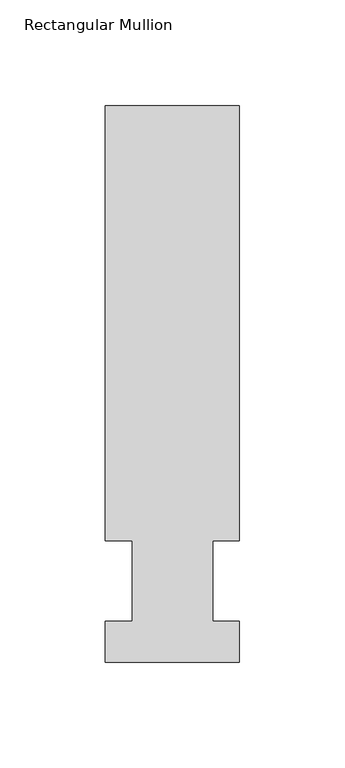
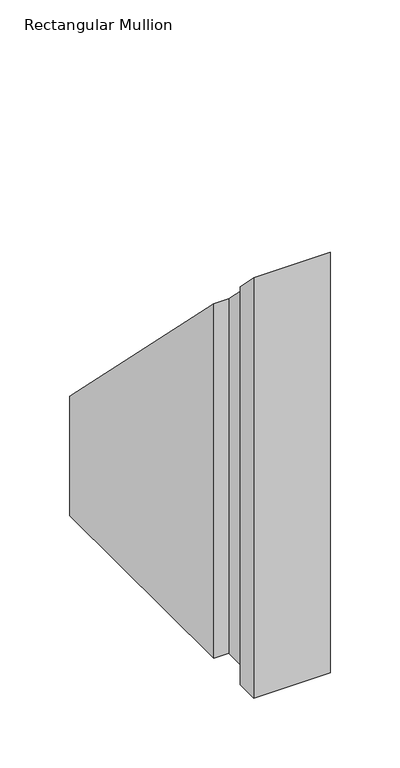
"""IFC4 building model written with IfcOpenShell, lengths in millimetres: member geometry, Rectangular Mullion."""

import ifcopenshell
import ifcopenshell.guid

model = None  # the IFC model being written
_history = None  # IfcOwnerHistory: only IFC2X3 demands one
_inside = {}  # id of a spatial element -> (the spatial element, [elements in it])
_under = {}  # id of a project, library or spatial element -> (it, [spatial elements below it])
_declared = {}  # id of a project -> (the project, [libraries it declares])
_typed = {}  # id of a type object -> (the type object, [elements of that type])
_made_of = {}  # id of a material, layer set ... -> (it, [elements and type objects made of it])


def new_model(schema):
    """Start an empty IFC model of exactly this schema.

    Asked for "IFC4X3", IfcOpenShell would pick the latest addendum, in which some entities
    have other attributes; the version numbers below select the first issue.
    IFC2X3 requires an IfcOwnerHistory on every rooted entity: one is made here for all.
    """
    global model, _history
    if schema == "IFC4X3":
        model = ifcopenshell.file(schema_version=(4, 3, 0, 0))
    else:
        model = ifcopenshell.file(schema=schema)
    _inside.clear()
    _under.clear()
    _declared.clear()
    _typed.clear()
    _made_of.clear()
    _history = None
    if model.schema == "IFC2X3":
        org = make("IfcOrganization", Name="unknown")
        user = make(
            "IfcPersonAndOrganization",
            ThePerson=make("IfcPerson", FamilyName="unknown"),
            TheOrganization=org,
        )
        app = make(
            "IfcApplication",
            ApplicationDeveloper=org,
            Version="unknown",
            ApplicationFullName="unknown",
            ApplicationIdentifier="unknown",
        )
        _history = make(
            "IfcOwnerHistory",
            OwningUser=user,
            OwningApplication=app,
            ChangeAction="ADDED",
            CreationDate=0,
        )
    return model


def make(cls, **values):
    """One entity of the class cls with the attributes given. An attribute that is None is left unset."""
    return model.create_entity(
        cls, **{name: value for name, value in values.items() if value is not None}
    )


def rooted(cls, **values):
    """An entity with a GlobalId (a new one), such as an element, a storey or a relation."""
    return make(cls, GlobalId=ifcopenshell.guid.new(), OwnerHistory=_history, **values)


def si_unit(unit_type, name, prefix=None):
    """IfcSIUnit, for example si_unit("LENGTHUNIT", "METRE", prefix="MILLI")."""
    return make("IfcSIUnit", UnitType=unit_type, Prefix=prefix, Name=name)


def assignment(units):
    """IfcUnitAssignment: the units of a project."""
    return None if units is None else make("IfcUnitAssignment", Units=units)


def point(xyz):
    """IfcCartesianPoint."""
    return None if xyz is None else make("IfcCartesianPoint", Coordinates=xyz)


def direction(xyz):
    """IfcDirection."""
    return None if xyz is None else make("IfcDirection", DirectionRatios=xyz)


def frame(location, z_axis=None, x_axis=None):
    """IfcAxis2Placement3D, a coordinate frame: its origin and axes. An axis left out is left unset."""
    return make(
        "IfcAxis2Placement3D",
        Location=point(location),
        Axis=direction(z_axis),
        RefDirection=direction(x_axis),
    )


def origin():
    """The frame at (0, 0, 0) with its axes left unset."""
    return frame((0.0, 0.0, 0.0))


def place(relative_to, where):
    """IfcLocalPlacement: puts the frame where relative to a parent placement (None: the world)."""
    return make(
        "IfcLocalPlacement", PlacementRelTo=relative_to, RelativePlacement=where
    )


def context(
    kind, dimensions, precision=None, world=None, true_north=None, identifier=None
):
    """IfcGeometricRepresentationContext, for example the 3D "Model" context."""
    return make(
        "IfcGeometricRepresentationContext",
        ContextIdentifier=identifier,
        ContextType=kind,
        CoordinateSpaceDimension=dimensions,
        Precision=precision,
        WorldCoordinateSystem=world,
        TrueNorth=true_north,
    )


def project(units=None, contexts=None):
    """IfcProject with its units and contexts."""
    return rooted(
        "IfcProject",
        Name="project",
        RepresentationContexts=contexts,
        UnitsInContext=assignment(units),
    )


def spatial(cls, under=None, at=None, **own):
    """A site, building, storey or space (cls), placed at a placement, below another one or the project."""
    s = rooted(cls, ObjectPlacement=at, **own)
    if under is not None:
        _under.setdefault(under.id(), (under, []))[1].append(s)
    return s


def faces_of(points, faces, orient=None, outer=None):
    """IfcFace entities. A face is a list of loops; a loop is a list of indices into points, from 0.

    orient and outer hold one flag for each loop. By default every Orientation is true, the
    first loop of a face is its IfcFaceOuterBound and the others are IfcFaceBound.
    """
    made = []
    for i, loops in enumerate(faces):
        bounds = []
        for j, loop in enumerate(loops):
            is_outer = j == 0 if outer is None else outer[i][j]
            bounds.append(
                make(
                    "IfcFaceOuterBound" if is_outer else "IfcFaceBound",
                    Bound=make("IfcPolyLoop", Polygon=[points[k] for k in loop]),
                    Orientation=True if orient is None else orient[i][j],
                )
            )
        made.append(make("IfcFace", Bounds=bounds))
    return made


def faceted_brep(points, faces, orient=None, outer=None, voids=None):
    """IfcFacetedBrep: a solid bounded by flat faces; with voids (closed shells), ...WithVoids."""
    shared = [point(p) for p in points]
    hull = make("IfcClosedShell", CfsFaces=faces_of(shared, faces, orient, outer))
    if voids is None:
        return make("IfcFacetedBrep", Outer=hull)
    return make(
        "IfcFacetedBrepWithVoids",
        Outer=hull,
        Voids=[
            make(cls, CfsFaces=faces_of(shared, fs, o, b)) for cls, fs, o, b in voids
        ],
    )


def shape(context_of_items, identifier, shape_type, items):
    """IfcShapeRepresentation: the items that make up one representation, for example the "Body"."""
    return make(
        "IfcShapeRepresentation",
        ContextOfItems=context_of_items,
        RepresentationIdentifier=identifier,
        RepresentationType=shape_type,
        Items=items,
    )


def source(mapping_origin, context_of_items, identifier, shape_type, items):
    """IfcRepresentationMap: a shape defined once, which mapped items show again and again."""
    return make(
        "IfcRepresentationMap",
        MappingOrigin=mapping_origin,
        MappedRepresentation=shape(context_of_items, identifier, shape_type, items),
    )


def transform(
    local_origin,
    x_axis=None,
    y_axis=None,
    z_axis=None,
    scale=None,
    scale2=None,
    scale3=None,
    uniform=True,
):
    """IfcCartesianTransformationOperator3D, or its non-uniform kind. x_axis, y_axis, z_axis: its Axis1, 2, 3."""
    if uniform:
        return make(
            "IfcCartesianTransformationOperator3D",
            Axis1=direction(x_axis),
            Axis2=direction(y_axis),
            LocalOrigin=point(local_origin),
            Scale=scale,
            Axis3=direction(z_axis),
        )
    return make(
        "IfcCartesianTransformationOperator3DnonUniform",
        Axis1=direction(x_axis),
        Axis2=direction(y_axis),
        LocalOrigin=point(local_origin),
        Scale=scale,
        Axis3=direction(z_axis),
        Scale2=scale2,
        Scale3=scale3,
    )


def mapped(mapping_source, mapping_target):
    """IfcMappedItem: shows the shape of a source again, moved by a transform."""
    return make(
        "IfcMappedItem", MappingSource=mapping_source, MappingTarget=mapping_target
    )


def made_of(thing, what):
    """Note that an element or type object is made of a material, layer set ...; save() writes the relation."""
    if what is not None:
        _made_of.setdefault(what.id(), (what, []))[1].append(thing)
    return thing


def element(
    cls,
    number,
    at=None,
    inside=None,
    cuts=None,
    type_object=None,
    material=None,
    context=None,
    identifier="Body",
    shape_type=None,
    held_by="IfcProductDefinitionShape",
    body=None,
    shapes=None,
    **own,
):
    """One element of the class cls, such as IfcWall. Its Tag is "e" and its number.

    at: its placement. inside: the storey or other place that contains it. cuts: it is an
    opening in that element (IfcRelVoidsElement). A single representation is given by context,
    identifier, shape_type and body (its items); several are given by shapes. held_by: the class
    of the entity that holds the representations. save() writes the other relations.
    """
    e = rooted(cls, Tag="e%d" % number, ObjectPlacement=at, **own)
    if body is not None:
        shapes = [shape(context, identifier, shape_type, body)]
    if shapes is not None:
        e.Representation = make(held_by, Representations=shapes)
    if inside is not None:
        _inside.setdefault(inside.id(), (inside, []))[1].append(e)
    if cuts is not None:
        rooted(
            "IfcRelVoidsElement", RelatingBuildingElement=cuts, RelatedOpeningElement=e
        )
    if type_object is not None:
        _typed.setdefault(type_object.id(), (type_object, []))[1].append(e)
    return made_of(e, material)


def aggregate(whole, parts):
    """IfcRelAggregates: a whole, such as a stair, and the parts it consists of."""
    return rooted("IfcRelAggregates", RelatingObject=whole, RelatedObjects=parts)


def save(model, path):
    """Write the relations noted so far, then the file.

    IfcRelAggregates (storeys below a building ...), IfcRelContainedInSpatialStructure (elements
    in a storey), IfcRelDefinesByType, IfcRelAssociatesMaterial and IfcRelDeclares: one each for
    every whole, place, type object, material and project.
    """
    for whole, parts in _under.values():
        aggregate(whole, parts)
    for where, things in _inside.values():
        rooted(
            "IfcRelContainedInSpatialStructure",
            RelatedElements=things,
            RelatingStructure=where,
        )
    for kind, things in _typed.values():
        rooted("IfcRelDefinesByType", RelatedObjects=things, RelatingType=kind)
    for what, things in _made_of.values():
        rooted("IfcRelAssociatesMaterial", RelatedObjects=things, RelatingMaterial=what)
    for by, libraries in _declared.values():
        rooted("IfcRelDeclares", RelatingContext=by, RelatedDefinitions=libraries)
    model.write(path)


def rectangular_mullion_9db15fd6(model_context):
    return source(origin(), model_context, "Body", "Brep", [
        faceted_brep([(-63.5, 57.6460937, -368.3), (-63.5, 264.0210938, -368.3), (0.0, 264.0210938, -368.3), (0.0, 57.6460938, -368.3), (-12.6873, 57.6460938, -368.3), (-12.6873, 19.5460938, -368.3), (0.0, 19.5460938, -368.3), (0.0, 0.0134938, -368.3), (-63.5, 0.0134938, -368.3), (-63.5, 19.5460938, -368.3), (-50.8, 19.5460938, -368.3), (-50.8, 57.6460937, -368.3), (-50.8, 57.6460937, -57.6460937), (-63.5, 57.6460937, -57.6460937), (-50.8, 19.5460938, -19.5460938), (-63.5, 19.5460938, -19.5460938), (-63.5, 0.0134938, -0.0134938), (0.0, 0.0134938, -0.0134938), (0.0, 19.5460938, -19.5460938), (-12.6873, 19.5460938, -19.5460938), (-12.6873, 57.6460938, -57.6460937), (0.0, 57.6460938, -57.6460937), (0.0, 264.0210938, -264.0210937), (-63.5, 264.0210938, -264.0210937)], [[[0, 1, 2, 3, 4, 5, 6, 7, 8, 9, 10, 11]], [[12, 13, 0, 11]], [[14, 12, 11, 10]], [[15, 14, 10, 9]], [[16, 15, 9, 8]], [[17, 16, 8, 7]], [[18, 17, 7, 6]], [[19, 18, 6, 5]], [[20, 19, 5, 4]], [[21, 20, 4, 3]], [[22, 21, 3, 2]], [[23, 22, 2, 1]], [[13, 23, 1, 0]], [[13, 12, 14, 15, 16, 17, 18, 19, 20, 21, 22, 23]]]),
    ])


if __name__ == "__main__":
    model = new_model("IFC4")
    model_context = context("Model", 3, world=origin())
    ifc_project = project(units=[si_unit("LENGTHUNIT", "METRE", prefix="MILLI")], contexts=[model_context])
    site = spatial("IfcSite", under=ifc_project)
    building = spatial("IfcBuilding", under=site)
    placement = place(None, origin())
    rectangular_mullion_shape = rectangular_mullion_9db15fd6(model_context)
    element("IfcMember", 1, ObjectType="Rectangular Mullion", at=placement, inside=building, context=model_context, shape_type="MappedRepresentation", body=[
        mapped(rectangular_mullion_shape, transform((0.0, 0.0, 0.0), x_axis=(1.0, 0.0, 0.0), y_axis=(0.0, 1.0, 0.0), z_axis=(0.0, 0.0, 1.0))),
    ])
    save(model, "model.ifc")
